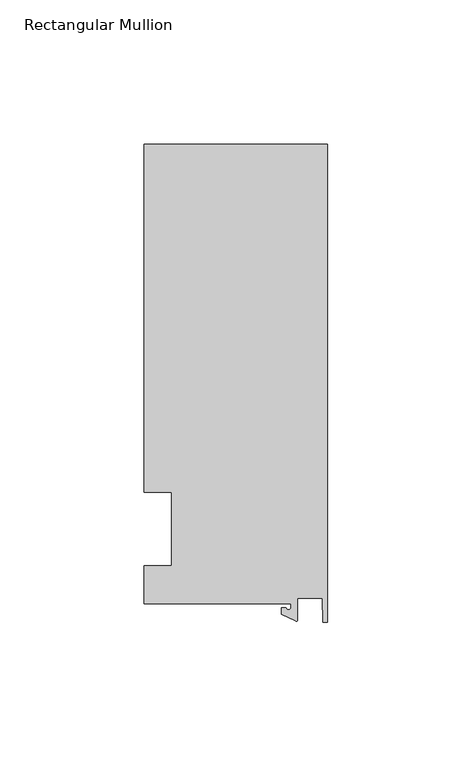
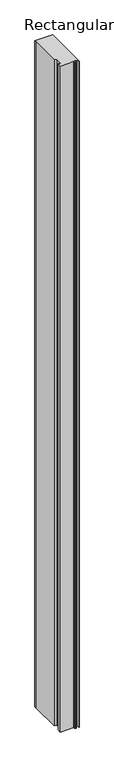
"""IFC4 building model written with IfcOpenShell, lengths in millimetres: member geometry, Rectangular Mullion."""

import ifcopenshell
import ifcopenshell.guid

model = None  # the IFC model being written
_history = None  # IfcOwnerHistory: only IFC2X3 demands one
_inside = {}  # id of a spatial element -> (the spatial element, [elements in it])
_under = {}  # id of a project, library or spatial element -> (it, [spatial elements below it])
_declared = {}  # id of a project -> (the project, [libraries it declares])
_typed = {}  # id of a type object -> (the type object, [elements of that type])
_made_of = {}  # id of a material, layer set ... -> (it, [elements and type objects made of it])


def new_model(schema):
    """Start an empty IFC model of exactly this schema.

    Asked for "IFC4X3", IfcOpenShell would pick the latest addendum, in which some entities
    have other attributes; the version numbers below select the first issue.
    IFC2X3 requires an IfcOwnerHistory on every rooted entity: one is made here for all.
    """
    global model, _history
    if schema == "IFC4X3":
        model = ifcopenshell.file(schema_version=(4, 3, 0, 0))
    else:
        model = ifcopenshell.file(schema=schema)
    _inside.clear()
    _under.clear()
    _declared.clear()
    _typed.clear()
    _made_of.clear()
    _history = None
    if model.schema == "IFC2X3":
        org = make("IfcOrganization", Name="unknown")
        user = make(
            "IfcPersonAndOrganization",
            ThePerson=make("IfcPerson", FamilyName="unknown"),
            TheOrganization=org,
        )
        app = make(
            "IfcApplication",
            ApplicationDeveloper=org,
            Version="unknown",
            ApplicationFullName="unknown",
            ApplicationIdentifier="unknown",
        )
        _history = make(
            "IfcOwnerHistory",
            OwningUser=user,
            OwningApplication=app,
            ChangeAction="ADDED",
            CreationDate=0,
        )
    return model


def make(cls, **values):
    """One entity of the class cls with the attributes given. An attribute that is None is left unset."""
    return model.create_entity(
        cls, **{name: value for name, value in values.items() if value is not None}
    )


def rooted(cls, **values):
    """An entity with a GlobalId (a new one), such as an element, a storey or a relation."""
    return make(cls, GlobalId=ifcopenshell.guid.new(), OwnerHistory=_history, **values)


def si_unit(unit_type, name, prefix=None):
    """IfcSIUnit, for example si_unit("LENGTHUNIT", "METRE", prefix="MILLI")."""
    return make("IfcSIUnit", UnitType=unit_type, Prefix=prefix, Name=name)


def assignment(units):
    """IfcUnitAssignment: the units of a project."""
    return None if units is None else make("IfcUnitAssignment", Units=units)


def point(xyz):
    """IfcCartesianPoint."""
    return None if xyz is None else make("IfcCartesianPoint", Coordinates=xyz)


def direction(xyz):
    """IfcDirection."""
    return None if xyz is None else make("IfcDirection", DirectionRatios=xyz)


def frame(location, z_axis=None, x_axis=None):
    """IfcAxis2Placement3D, a coordinate frame: its origin and axes. An axis left out is left unset."""
    return make(
        "IfcAxis2Placement3D",
        Location=point(location),
        Axis=direction(z_axis),
        RefDirection=direction(x_axis),
    )


def frame_2d(location, x_axis=None):
    """IfcAxis2Placement2D, a coordinate frame in the plane: its origin and x axis."""
    return make(
        "IfcAxis2Placement2D", Location=point(location), RefDirection=direction(x_axis)
    )


def origin():
    """The frame at (0, 0, 0) with its axes left unset."""
    return frame((0.0, 0.0, 0.0))


def place(relative_to, where):
    """IfcLocalPlacement: puts the frame where relative to a parent placement (None: the world)."""
    return make(
        "IfcLocalPlacement", PlacementRelTo=relative_to, RelativePlacement=where
    )


def context(
    kind, dimensions, precision=None, world=None, true_north=None, identifier=None
):
    """IfcGeometricRepresentationContext, for example the 3D "Model" context."""
    return make(
        "IfcGeometricRepresentationContext",
        ContextIdentifier=identifier,
        ContextType=kind,
        CoordinateSpaceDimension=dimensions,
        Precision=precision,
        WorldCoordinateSystem=world,
        TrueNorth=true_north,
    )


def project(units=None, contexts=None):
    """IfcProject with its units and contexts."""
    return rooted(
        "IfcProject",
        Name="project",
        RepresentationContexts=contexts,
        UnitsInContext=assignment(units),
    )


def spatial(cls, under=None, at=None, **own):
    """A site, building, storey or space (cls), placed at a placement, below another one or the project."""
    s = rooted(cls, ObjectPlacement=at, **own)
    if under is not None:
        _under.setdefault(under.id(), (under, []))[1].append(s)
    return s


def polyline(points):
    """IfcPolyline through the points."""
    return make("IfcPolyline", Points=[point(p) for p in points])


def circle_curve(where, radius):
    """IfcCircle in the frame where."""
    return make("IfcCircle", Position=where, Radius=radius)


def trimmed(basis, trim1, trim2, sense, master):
    """IfcTrimmedCurve: the piece of a basis curve between two trims."""
    return make(
        "IfcTrimmedCurve",
        BasisCurve=basis,
        Trim1=trim1,
        Trim2=trim2,
        SenseAgreement=sense,
        MasterRepresentation=master,
    )


def segment(curve, same_sense, transition):
    """IfcCompositeCurveSegment."""
    return make(
        "IfcCompositeCurveSegment",
        Transition=transition,
        SameSense=same_sense,
        ParentCurve=curve,
    )


def composite_curve(segments, self_intersect=None):
    """IfcCompositeCurve: segments joined end to end."""
    return make("IfcCompositeCurve", Segments=segments, SelfIntersect=self_intersect)


def outline(outer, holes=None, kind="AREA"):
    """IfcArbitraryClosedProfileDef: a profile drawn as a closed curve; with holes, ...WithVoids."""
    if holes is None:
        return make("IfcArbitraryClosedProfileDef", ProfileType=kind, OuterCurve=outer)
    return make(
        "IfcArbitraryProfileDefWithVoids",
        ProfileType=kind,
        OuterCurve=outer,
        InnerCurves=holes,
    )


def extrude(swept, where, along, depth):
    """IfcExtrudedAreaSolid: the profile swept, set in the frame where, extruded along a direction by depth."""
    return make(
        "IfcExtrudedAreaSolid",
        SweptArea=swept,
        Position=where,
        ExtrudedDirection=direction(along),
        Depth=depth,
    )


def shape(context_of_items, identifier, shape_type, items):
    """IfcShapeRepresentation: the items that make up one representation, for example the "Body"."""
    return make(
        "IfcShapeRepresentation",
        ContextOfItems=context_of_items,
        RepresentationIdentifier=identifier,
        RepresentationType=shape_type,
        Items=items,
    )


def source(mapping_origin, context_of_items, identifier, shape_type, items):
    """IfcRepresentationMap: a shape defined once, which mapped items show again and again."""
    return make(
        "IfcRepresentationMap",
        MappingOrigin=mapping_origin,
        MappedRepresentation=shape(context_of_items, identifier, shape_type, items),
    )


def transform(
    local_origin,
    x_axis=None,
    y_axis=None,
    z_axis=None,
    scale=None,
    scale2=None,
    scale3=None,
    uniform=True,
):
    """IfcCartesianTransformationOperator3D, or its non-uniform kind. x_axis, y_axis, z_axis: its Axis1, 2, 3."""
    if uniform:
        return make(
            "IfcCartesianTransformationOperator3D",
            Axis1=direction(x_axis),
            Axis2=direction(y_axis),
            LocalOrigin=point(local_origin),
            Scale=scale,
            Axis3=direction(z_axis),
        )
    return make(
        "IfcCartesianTransformationOperator3DnonUniform",
        Axis1=direction(x_axis),
        Axis2=direction(y_axis),
        LocalOrigin=point(local_origin),
        Scale=scale,
        Axis3=direction(z_axis),
        Scale2=scale2,
        Scale3=scale3,
    )


def mapped(mapping_source, mapping_target):
    """IfcMappedItem: shows the shape of a source again, moved by a transform."""
    return make(
        "IfcMappedItem", MappingSource=mapping_source, MappingTarget=mapping_target
    )


def made_of(thing, what):
    """Note that an element or type object is made of a material, layer set ...; save() writes the relation."""
    if what is not None:
        _made_of.setdefault(what.id(), (what, []))[1].append(thing)
    return thing


def element(
    cls,
    number,
    at=None,
    inside=None,
    cuts=None,
    type_object=None,
    material=None,
    context=None,
    identifier="Body",
    shape_type=None,
    held_by="IfcProductDefinitionShape",
    body=None,
    shapes=None,
    **own,
):
    """One element of the class cls, such as IfcWall. Its Tag is "e" and its number.

    at: its placement. inside: the storey or other place that contains it. cuts: it is an
    opening in that element (IfcRelVoidsElement). A single representation is given by context,
    identifier, shape_type and body (its items); several are given by shapes. held_by: the class
    of the entity that holds the representations. save() writes the other relations.
    """
    e = rooted(cls, Tag="e%d" % number, ObjectPlacement=at, **own)
    if body is not None:
        shapes = [shape(context, identifier, shape_type, body)]
    if shapes is not None:
        e.Representation = make(held_by, Representations=shapes)
    if inside is not None:
        _inside.setdefault(inside.id(), (inside, []))[1].append(e)
    if cuts is not None:
        rooted(
            "IfcRelVoidsElement", RelatingBuildingElement=cuts, RelatedOpeningElement=e
        )
    if type_object is not None:
        _typed.setdefault(type_object.id(), (type_object, []))[1].append(e)
    return made_of(e, material)


def aggregate(whole, parts):
    """IfcRelAggregates: a whole, such as a stair, and the parts it consists of."""
    return rooted("IfcRelAggregates", RelatingObject=whole, RelatedObjects=parts)


def save(model, path):
    """Write the relations noted so far, then the file.

    IfcRelAggregates (storeys below a building ...), IfcRelContainedInSpatialStructure (elements
    in a storey), IfcRelDefinesByType, IfcRelAssociatesMaterial and IfcRelDeclares: one each for
    every whole, place, type object, material and project.
    """
    for whole, parts in _under.values():
        aggregate(whole, parts)
    for where, things in _inside.values():
        rooted(
            "IfcRelContainedInSpatialStructure",
            RelatedElements=things,
            RelatingStructure=where,
        )
    for kind, things in _typed.values():
        rooted("IfcRelDefinesByType", RelatedObjects=things, RelatingType=kind)
    for what, things in _made_of.values():
        rooted("IfcRelAssociatesMaterial", RelatedObjects=things, RelatingMaterial=what)
    for by, libraries in _declared.values():
        rooted("IfcRelDeclares", RelatingContext=by, RelatedDefinitions=libraries)
    model.write(path)


def rectangular_mullion_daaabbe1(model_context):
    return source(origin(), model_context, "Body", "SweptSolid", [
        extrude(outline(composite_curve([segment(polyline([(-12.6979967, -25.796875), (-63.5, -25.796875), (-63.5, -12.7), (-53.975, -12.7), (-53.975, 12.7), (-63.5, 12.7), (-63.5, 125.4797866), (-63.5, 133.2272736), (0.0, 133.2272736), (0.0, -32.288874), (-1.5658966, -32.288874), (-1.7144124, -23.9227662), (-10.3103967, -23.9227662), (-10.3103967, -31.3654561)]), True, "CONTINUOUS"), segment(trimmed(circle_curve(frame_2d((-10.8183967, -31.3654561)), 0.508), [point((-10.3103967, -31.3654561))], [point((-11.0330867, -31.8258605))], False, "CARTESIAN"), True, "CONTINUOUS"), segment(polyline([(-11.0330867, -31.8258605), (-15.8729967, -29.5689734), (-15.8729967, -27.2067741), (-14.2854967, -27.2067741)]), True, "CONTINUOUS"), segment(trimmed(circle_curve(frame_2d((-13.4917467, -27.2067741)), 0.79375), [point((-14.2854967, -27.2067741))], [point((-12.6979967, -27.2067741))], True, "CARTESIAN"), True, "CONTINUOUS"), segment(polyline([(-12.6979967, -27.2067741), (-12.6979967, -25.796875)]), True, "CONTINUOUS")], self_intersect=False)), frame((0.0, 0.0, -2540.0), z_axis=(0.0, 0.0, 1.0), x_axis=(1.0, 0.0, 0.0)), (0.0, 0.0, 1.0), 2540.0),
    ])


if __name__ == "__main__":
    model = new_model("IFC4")
    model_context = context("Model", 3, world=origin())
    ifc_project = project(units=[si_unit("LENGTHUNIT", "METRE", prefix="MILLI")], contexts=[model_context])
    site = spatial("IfcSite", under=ifc_project)
    building = spatial("IfcBuilding", under=site)
    placement = place(None, origin())
    rectangular_mullion_shape = rectangular_mullion_daaabbe1(model_context)
    element("IfcMember", 1, ObjectType="Rectangular Mullion", at=placement, inside=building, context=model_context, shape_type="MappedRepresentation", body=[
        mapped(rectangular_mullion_shape, transform((0.0, 0.0, 0.0), x_axis=(1.0, 0.0, 0.0), y_axis=(0.0, 1.0, 0.0), z_axis=(0.0, 0.0, 1.0))),
    ])
    save(model, "model.ifc")
